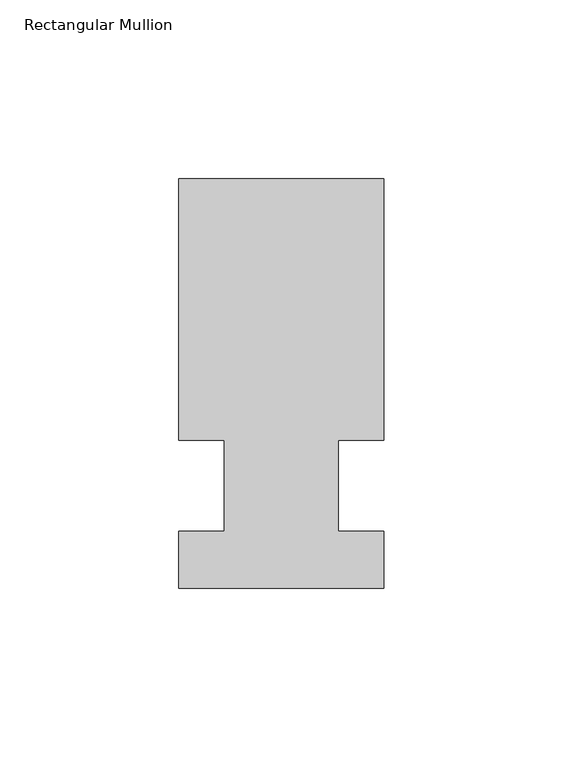
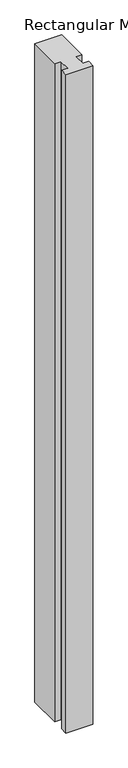
"""IFC4 building model written with IfcOpenShell, lengths in millimetres: member geometry, Rectangular Mullion."""

from ifc_helpers import new_model, si_unit, frame, origin, place, context, project, spatial, polyline, outline, extrude, source, transform, mapped, element, save


def rectangular_mullion_3888d01d(model_context):
    return source(origin(), model_context, "Body", "SweptSolid", [
        extrude(outline(polyline([(32.9094027, 85.725), (32.9094027, 12.7), (20.2076322, 12.7), (20.2076322, -12.7), (32.9094027, -12.7), (32.9094027, -28.575), (-24.2405973, -28.575), (-24.2405973, -12.7), (-11.5405973, -12.7), (-11.5405973, 12.7), (-24.2405973, 12.7), (-24.2405973, 85.725), (32.9094027, 85.725)])), frame((0.0, 0.0, -1478.28), z_axis=(0.0, 0.0, 1.0), x_axis=(1.0, 0.0, 0.0)), (0.0, 0.0, 1.0), 1478.28),
    ])


if __name__ == "__main__":
    model = new_model("IFC4")
    model_context = context("Model", 3, world=origin())
    ifc_project = project(units=[si_unit("LENGTHUNIT", "METRE", prefix="MILLI")], contexts=[model_context])
    site = spatial("IfcSite", under=ifc_project)
    building = spatial("IfcBuilding", under=site)
    placement = place(None, origin())
    rectangular_mullion_shape = rectangular_mullion_3888d01d(model_context)
    element("IfcMember", 1, ObjectType="Rectangular Mullion", at=placement, inside=building, context=model_context, shape_type="MappedRepresentation", body=[
        mapped(rectangular_mullion_shape, transform((0.0, 0.0, 0.0), x_axis=(1.0, 0.0, 0.0), y_axis=(0.0, 1.0, 0.0), z_axis=(0.0, 0.0, 1.0))),
    ])
    save(model, "model.ifc")
